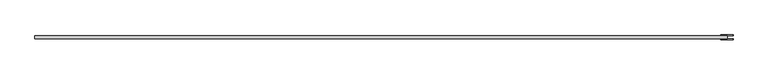
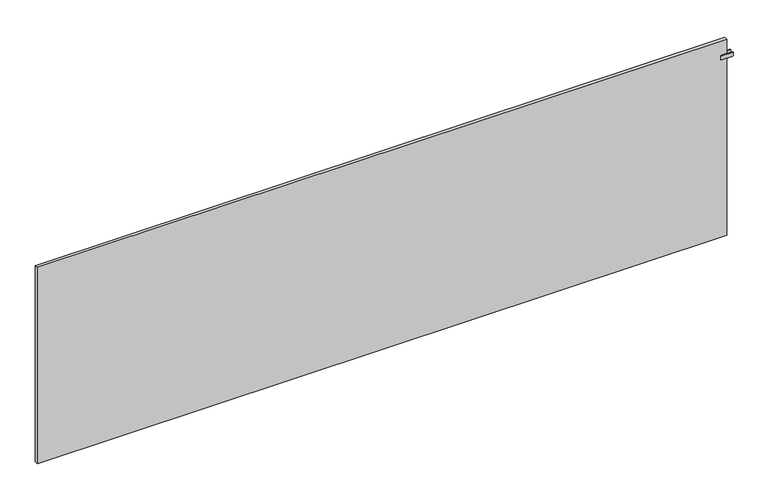
"""IFC4 building model written with IfcOpenShell, lengths in millimetres: plate geometry."""

from ifc_helpers import new_model, si_unit, point, frame, frame_2d, origin, origin_with_axes, place, context, project, spatial, polyline, circle_curve, trimmed, segment, composite_curve, outline, extrude, source, transform, mapped, element, save


def plate_07d92adc(model_context):
    return source(origin(), model_context, "Body", "SweptSolid", [
        extrude(outline(polyline([(1997.5, -40.75), (1992.5, -40.75), (1992.5, -23.25), (1997.5, -23.25), (1997.5, -40.75)])), frame((0.0, 0.0, 1087.5), z_axis=(0.0, 0.0, 1.0), x_axis=(1.0, 0.0, 0.0)), (0.0, 0.0, 1.0), 25.0),
        extrude(outline(composite_curve([segment(polyline([(1087.5, 1963.0), (1087.5, 2027.0)]), True, "CONTINUOUS"), segment(trimmed(circle_curve(frame_2d((1090.5, 2027.0)), 3.0), [point((1087.5, 2027.0))], [point((1090.5, 2030.0))], False, "CARTESIAN"), True, "CONTINUOUS"), segment(polyline([(1090.5, 2030.0), (1109.5, 2030.0)]), True, "CONTINUOUS"), segment(trimmed(circle_curve(frame_2d((1109.5, 2027.0)), 3.0), [point((1109.5, 2030.0))], [point((1112.5, 2027.0))], False, "CARTESIAN"), True, "CONTINUOUS"), segment(polyline([(1112.5, 2027.0), (1112.5, 1963.0)]), True, "CONTINUOUS"), segment(trimmed(circle_curve(frame_2d((1109.5, 1963.0)), 3.0), [point((1112.5, 1963.0))], [point((1109.5, 1960.0))], False, "CARTESIAN"), True, "CONTINUOUS"), segment(polyline([(1109.5, 1960.0), (1090.5, 1960.0)]), True, "CONTINUOUS"), segment(trimmed(circle_curve(frame_2d((1090.5, 1963.0)), 3.0), [point((1090.5, 1960.0))], [point((1087.5, 1963.0))], False, "CARTESIAN"), True, "CONTINUOUS")], self_intersect=False)), frame((0.0, -23.25, 0.0), z_axis=(0.0, 1.0, 0.0), x_axis=(0.0, 0.0, 1.0)), (0.0, 0.0, 1.0), 5.0),
        extrude(outline(composite_curve([segment(polyline([(1087.5, 1963.0), (1087.5, 2027.0)]), True, "CONTINUOUS"), segment(trimmed(circle_curve(frame_2d((1090.5, 2027.0)), 3.0), [point((1087.5, 2027.0))], [point((1090.5, 2030.0))], False, "CARTESIAN"), True, "CONTINUOUS"), segment(polyline([(1090.5, 2030.0), (1109.5, 2030.0)]), True, "CONTINUOUS"), segment(trimmed(circle_curve(frame_2d((1109.5, 2027.0)), 3.0), [point((1109.5, 2030.0))], [point((1112.5, 2027.0))], False, "CARTESIAN"), True, "CONTINUOUS"), segment(polyline([(1112.5, 2027.0), (1112.5, 1963.0)]), True, "CONTINUOUS"), segment(trimmed(circle_curve(frame_2d((1109.5, 1963.0)), 3.0), [point((1112.5, 1963.0))], [point((1109.5, 1960.0))], False, "CARTESIAN"), True, "CONTINUOUS"), segment(polyline([(1109.5, 1960.0), (1090.5, 1960.0)]), True, "CONTINUOUS"), segment(trimmed(circle_curve(frame_2d((1090.5, 1963.0)), 3.0), [point((1090.5, 1960.0))], [point((1087.5, 1963.0))], False, "CARTESIAN"), True, "CONTINUOUS")], self_intersect=False)), frame((0.0, -45.75, 0.0), z_axis=(0.0, 1.0, 0.0), x_axis=(0.0, 0.0, 1.0)), (0.0, 0.0, 1.0), 5.0),
        extrude(outline(polyline([(1995.0, -23.25), (1995.0, -40.75), (-1995.0, -40.75), (-1995.0, -23.25), (1995.0, -23.25)])), origin_with_axes(), (0.0, 0.0, 1.0), 1200.0),
    ])


if __name__ == "__main__":
    model = new_model("IFC4")
    model_context = context("Model", 3, world=origin())
    ifc_project = project(units=[si_unit("LENGTHUNIT", "METRE", prefix="MILLI")], contexts=[model_context])
    site = spatial("IfcSite", under=ifc_project)
    building = spatial("IfcBuilding", under=site)
    placement = place(None, origin())
    plate_shape = plate_07d92adc(model_context)
    element("IfcPlate", 1, at=placement, inside=building, context=model_context, shape_type="MappedRepresentation", body=[
        mapped(plate_shape, transform((0.0, 0.0, 0.0), x_axis=(1.0, 0.0, 0.0), y_axis=(0.0, 1.0, 0.0), z_axis=(0.0, 0.0, 1.0))),
    ])
    save(model, "model.ifc")
